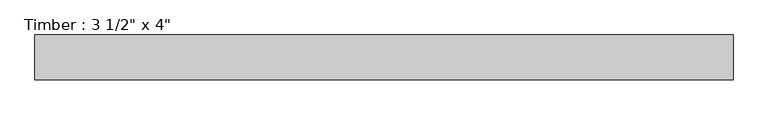
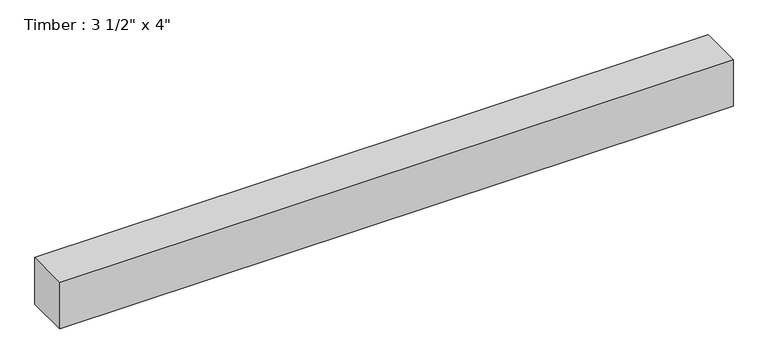
"""IFC4 building model written with IfcOpenShell, lengths in millimetres: beam geometry."""

from ifc_helpers import new_model, si_unit, frame, origin, place, context, project, spatial, polyline, outline, extrude, source, transform, mapped, element, save


def beam_20f12a16(model_context):
    return source(origin(), model_context, "Body", "SweptSolid", [
        extrude(outline(polyline([(691.6283588, 44.45), (691.6283588, -44.45), (-691.6283588, -44.45), (-691.6283588, 44.45), (691.6283588, 44.45)])), frame((0.0, 0.0, -50.8), z_axis=(0.0, 0.0, 1.0), x_axis=(1.0, 0.0, 0.0)), (0.0, 0.0, 1.0), 101.6),
    ])


if __name__ == "__main__":
    model = new_model("IFC4")
    model_context = context("Model", 3, world=origin())
    ifc_project = project(units=[si_unit("LENGTHUNIT", "METRE", prefix="MILLI")], contexts=[model_context])
    site = spatial("IfcSite", under=ifc_project)
    building = spatial("IfcBuilding", under=site)
    placement = place(None, origin())
    beam_shape = beam_20f12a16(model_context)
    element("IfcBeam", 1, ObjectType="Timber : 3 1/2\" x 4\"", at=placement, inside=building, context=model_context, shape_type="MappedRepresentation", body=[
        mapped(beam_shape, transform((0.0, 0.0, 0.0), x_axis=(1.0, 0.0, 0.0), y_axis=(0.0, 1.0, 0.0), z_axis=(0.0, 0.0, 1.0))),
    ])
    save(model, "model.ifc")
